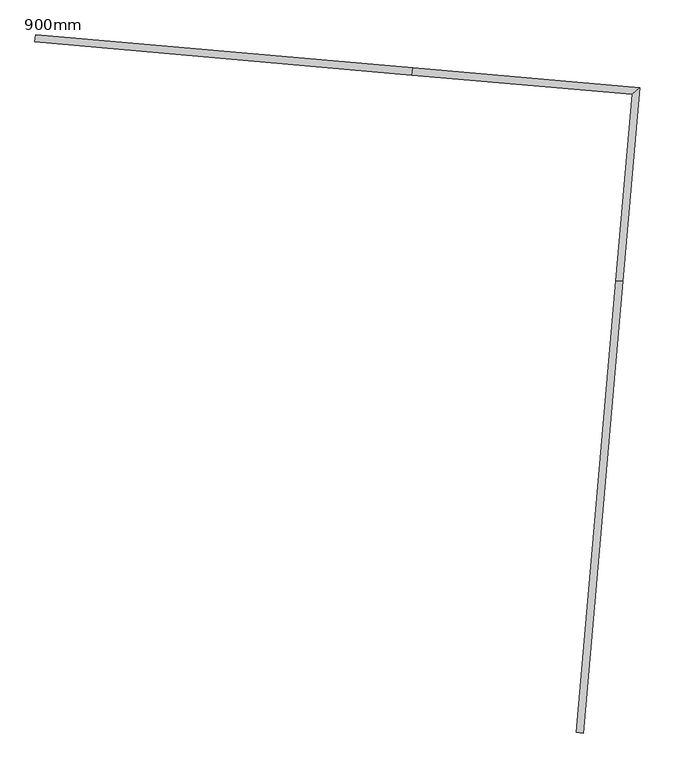
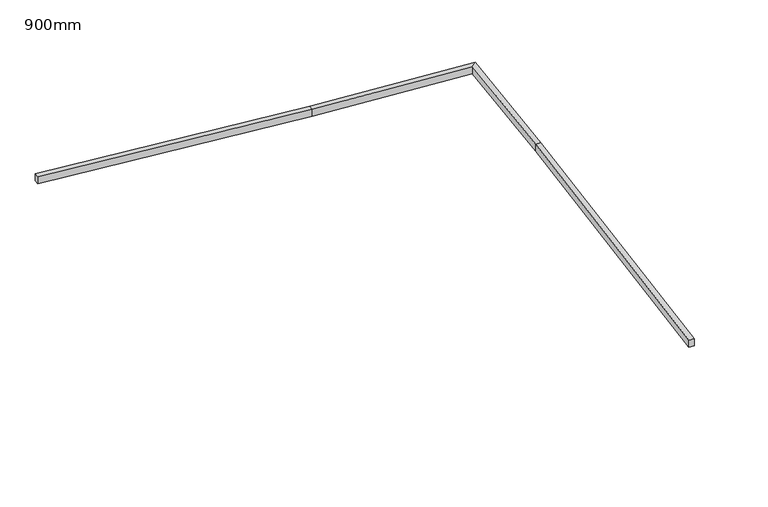
"""IFC4 building model written with IfcOpenShell, lengths in millimetres: railing geometry, 900mm."""

from ifc_helpers import new_model, si_unit, origin, place, context, project, spatial, faceted_brep, source, transform, mapped, element, save


def railing_900mm_d3194c73(model_context):
    return source(origin(), model_context, "Body", "Brep", [
        faceted_brep([(14882.62695, -8249.5045132, 750.0), (14832.0202593, -8245.0770014, 750.0), (14832.0202593, -8245.0770014, 673.7757425), (14882.62695, -8249.5045132, 673.7757425), (15164.9009298, -5023.0981595, 831.7277566), (15114.2942392, -5018.6706478, 831.7277566), (15114.3780204, -5017.7130242, 755.5277566), (15164.984711, -5022.140536, 755.5277566), (15285.6702783, -3642.6981901, 831.7277566), (15230.6360759, -3688.8773691, 831.7277566), (15230.6360759, -3688.8773691, 755.5277566), (15285.6702783, -3642.6981901, 755.5277566), (13662.5856342, -3500.6966838, 831.7277566), (13658.1581225, -3551.3033745, 831.7277566), (13657.2004989, -3551.2195933, 755.5277566), (13661.6280107, -3500.6129026, 755.5277566), (10967.3691124, -3264.8957924, 900.0), (10967.3691124, -3264.8957924, 823.7757425), (10962.9416007, -3315.5024831, 823.7757425), (10962.9416007, -3315.5024831, 900.0)], [[[0, 1, 2, 3]], [[1, 0, 4, 5]], [[2, 1, 5, 6]], [[3, 2, 6, 7]], [[0, 3, 7, 4]], [[5, 4, 8, 9]], [[6, 5, 9, 10]], [[7, 6, 10, 11]], [[4, 7, 11, 8]], [[9, 8, 12, 13]], [[10, 9, 13, 14]], [[11, 10, 14, 15]], [[8, 11, 15, 12]], [[16, 17, 18, 19]], [[13, 12, 16, 19]], [[14, 13, 19, 18]], [[15, 14, 18, 17]], [[12, 15, 17, 16]]]),
    ])


if __name__ == "__main__":
    model = new_model("IFC4")
    model_context = context("Model", 3, world=origin())
    ifc_project = project(units=[si_unit("LENGTHUNIT", "METRE", prefix="MILLI")], contexts=[model_context])
    site = spatial("IfcSite", under=ifc_project)
    building = spatial("IfcBuilding", under=site)
    placement = place(None, origin())
    railing_900mm_shape = railing_900mm_d3194c73(model_context)
    element("IfcRailing", 1, ObjectType="900mm", at=placement, inside=building, context=model_context, shape_type="MappedRepresentation", body=[
        mapped(railing_900mm_shape, transform((0.0, 0.0, 0.0), x_axis=(1.0, 0.0, 0.0), y_axis=(0.0, 1.0, 0.0), z_axis=(0.0, 0.0, 1.0))),
    ])
    save(model, "model.ifc")
